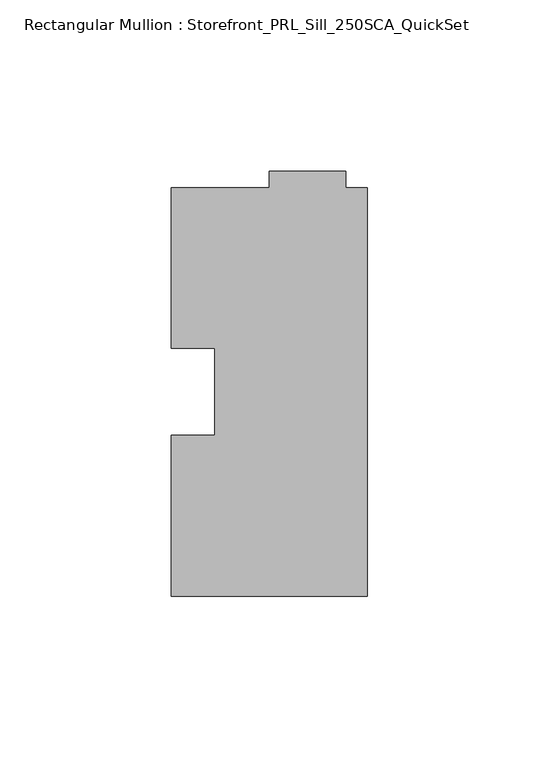
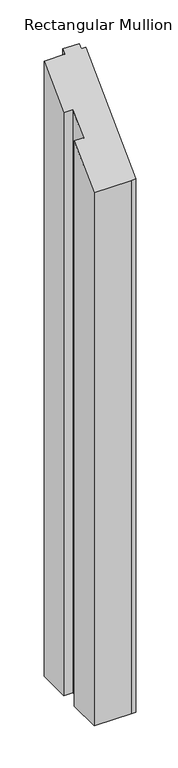
"""IFC4 building model written with IfcOpenShell, lengths in millimetres: member geometry, Rectangular Mullion : Storefront_PRL_Sill_250SCA_QuickSet."""

from ifc_helpers import new_model, si_unit, origin, place, context, project, spatial, faceted_brep, source, transform, mapped, element, save


def rectangular_mullion_storefront_prl_sill_250sca_quickset_f63fa6c3(model_context):
    return source(origin(), model_context, "Body", "Brep", [
        faceted_brep([(-44.45, -12.7, -833.9666667), (-44.45, 12.7, -833.9666667), (-57.15, 12.7, -833.9666667), (-57.15, 59.53125, -833.9666667), (-28.575, 59.53125, -833.9666667), (-28.575, 64.29375, -833.9666667), (-6.35, 64.29375, -833.9666667), (-6.35, 59.53125, -833.9666667), (0.0, 59.53125, -833.9666667), (0.0, -59.53125, -833.9666667), (-6.35, -59.53125, -833.9666667), (-57.15, -59.53125, -833.9666667), (-57.15, -12.7, -833.9666667), (-57.15, -12.7, -12.7), (-44.45, -12.7, -12.7), (-57.15, -59.53125, -59.53125), (-6.35, -59.53125, -59.53125), (0.0, -59.53125, -59.53125), (0.0, 59.53125, 59.53125), (-6.35, 59.53125, 59.53125), (-6.35, 64.29375, 64.29375), (-28.575, 64.29375, 64.29375), (-28.575, 59.53125, 59.53125), (-57.15, 59.53125, 59.53125), (-57.15, 12.7, 12.7), (-44.45, 12.7, 12.7)], [[[0, 1, 2, 3, 4, 5, 6, 7, 8, 9, 10, 11, 12]], [[13, 14, 0, 12]], [[15, 13, 12, 11]], [[16, 15, 11, 10]], [[17, 16, 10, 9]], [[18, 17, 9, 8]], [[19, 18, 8, 7]], [[20, 19, 7, 6]], [[21, 20, 6, 5]], [[22, 21, 5, 4]], [[23, 22, 4, 3]], [[24, 23, 3, 2]], [[25, 24, 2, 1]], [[14, 25, 1, 0]], [[14, 13, 15, 16, 17, 18, 19, 20, 21, 22, 23, 24, 25]]]),
    ])


if __name__ == "__main__":
    model = new_model("IFC4")
    model_context = context("Model", 3, world=origin())
    ifc_project = project(units=[si_unit("LENGTHUNIT", "METRE", prefix="MILLI")], contexts=[model_context])
    site = spatial("IfcSite", under=ifc_project)
    building = spatial("IfcBuilding", under=site)
    placement = place(None, origin())
    rectangular_mullion_storefront_prl_sill_250sca_quickset_shape = rectangular_mullion_storefront_prl_sill_250sca_quickset_f63fa6c3(model_context)
    element("IfcMember", 1, ObjectType="Rectangular Mullion : Storefront_PRL_Sill_250SCA_QuickSet", at=placement, inside=building, context=model_context, shape_type="MappedRepresentation", body=[
        mapped(rectangular_mullion_storefront_prl_sill_250sca_quickset_shape, transform((0.0, 0.0, 0.0), x_axis=(1.0, 0.0, 0.0), y_axis=(0.0, 1.0, 0.0), z_axis=(0.0, 0.0, 1.0))),
    ])
    save(model, "model.ifc")
